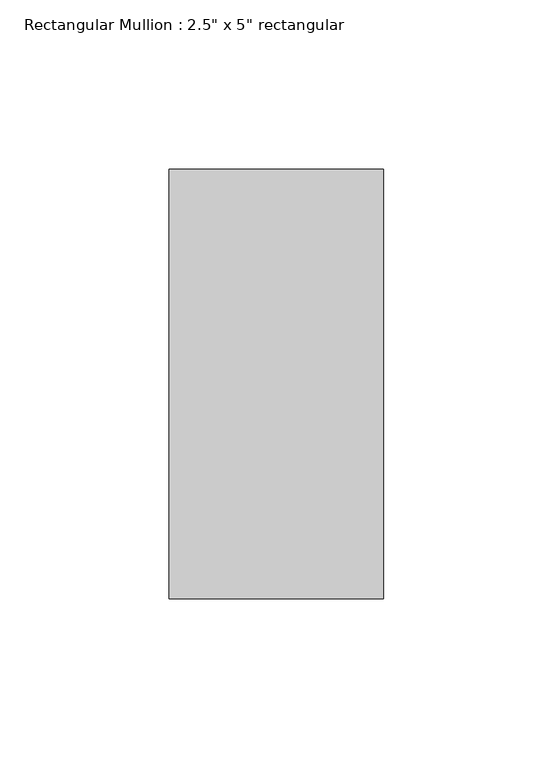
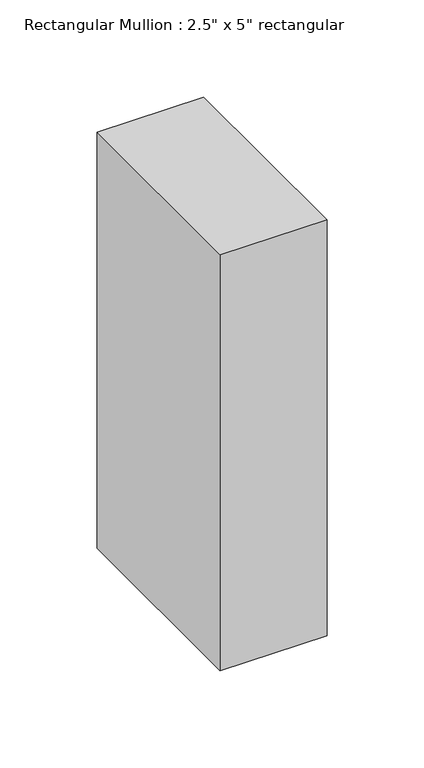
"""IFC4 building model written with IfcOpenShell, lengths in millimetres: member geometry."""

from ifc_helpers import new_model, si_unit, frame, origin, place, context, project, spatial, polyline, outline, extrude, source, transform, mapped, element, save


def member_bf047c58(model_context):
    return source(origin(), model_context, "Body", "SweptSolid", [
        extrude(outline(polyline([(0.0, 63.5), (0.0, -63.5), (-63.5, -63.5), (-63.5, 63.5), (0.0, 63.5)])), frame((0.0, 0.0, -261.6), z_axis=(0.0, 0.0, 1.0), x_axis=(1.0, 0.0, 0.0)), (0.0, 0.0, 1.0), 261.6),
    ])


if __name__ == "__main__":
    model = new_model("IFC4")
    model_context = context("Model", 3, world=origin())
    ifc_project = project(units=[si_unit("LENGTHUNIT", "METRE", prefix="MILLI")], contexts=[model_context])
    site = spatial("IfcSite", under=ifc_project)
    building = spatial("IfcBuilding", under=site)
    placement = place(None, origin())
    member_shape = member_bf047c58(model_context)
    element("IfcMember", 1, ObjectType="Rectangular Mullion : 2.5\" x 5\" rectangular", at=placement, inside=building, context=model_context, shape_type="MappedRepresentation", body=[
        mapped(member_shape, transform((0.0, 0.0, 0.0), x_axis=(1.0, 0.0, 0.0), y_axis=(0.0, 1.0, 0.0), z_axis=(0.0, 0.0, 1.0))),
    ])
    save(model, "model.ifc")
